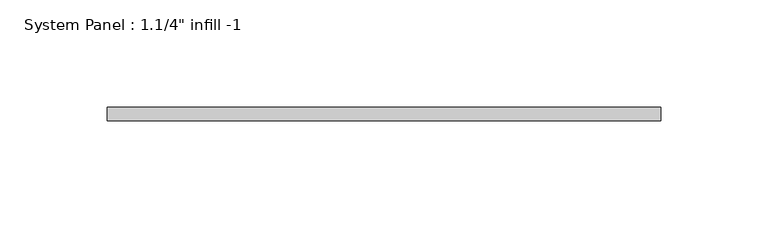
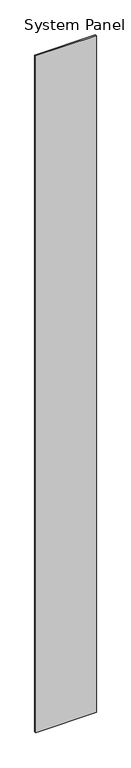
"""IFC4 building model written with IfcOpenShell, lengths in millimetres: plate geometry."""

from ifc_helpers import new_model, si_unit, origin, origin_with_axes, place, context, project, spatial, polyline, outline, extrude, source, transform, mapped, element, save


def plate_a29d1869(model_context):
    return source(origin(), model_context, "Body", "SweptSolid", [
        extrude(outline(polyline([(129.38125, -6.35), (-129.38125, -6.35), (-129.38125, 0.0), (129.38125, 0.0), (129.38125, -6.35)])), origin_with_axes(), (0.0, 0.0, 1.0), 3048.0),
    ])


if __name__ == "__main__":
    model = new_model("IFC4")
    model_context = context("Model", 3, world=origin())
    ifc_project = project(units=[si_unit("LENGTHUNIT", "METRE", prefix="MILLI")], contexts=[model_context])
    site = spatial("IfcSite", under=ifc_project)
    building = spatial("IfcBuilding", under=site)
    placement = place(None, origin())
    plate_shape = plate_a29d1869(model_context)
    element("IfcPlate", 1, ObjectType="System Panel : 1.1/4\" infill -1", at=placement, inside=building, context=model_context, shape_type="MappedRepresentation", body=[
        mapped(plate_shape, transform((0.0, 0.0, 0.0), x_axis=(1.0, 0.0, 0.0), y_axis=(0.0, 1.0, 0.0), z_axis=(0.0, 0.0, 1.0))),
    ])
    save(model, "model.ifc")
